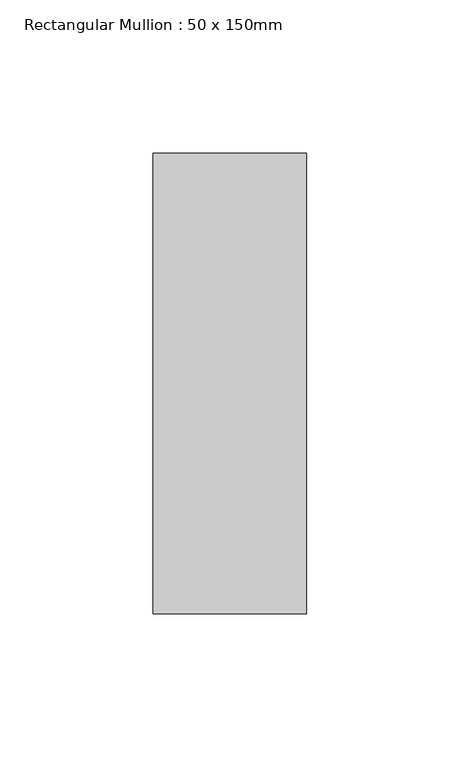
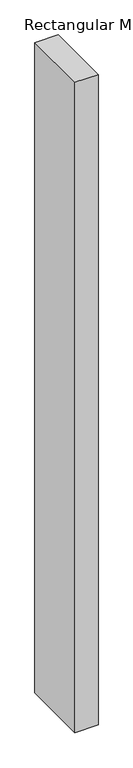
"""IFC4 building model written with IfcOpenShell, lengths in millimetres: member geometry, Rectangular Mullion : 50 x 150mm."""

from ifc_helpers import new_model, si_unit, frame, origin, place, context, project, spatial, polyline, outline, extrude, source, transform, mapped, element, save


def rectangular_mullion_50_x_150mm_da748a30(model_context):
    return source(origin(), model_context, "Body", "SweptSolid", [
        extrude(outline(polyline([(0.0, 75.0), (0.0, -75.0), (-50.0, -75.0), (-50.0, 75.0), (0.0, 75.0)])), frame((0.0, 0.0, -1489.02512), z_axis=(0.0, 0.0, 1.0), x_axis=(1.0, 0.0, 0.0)), (0.0, 0.0, 1.0), 1489.02512),
    ])


if __name__ == "__main__":
    model = new_model("IFC4")
    model_context = context("Model", 3, world=origin())
    ifc_project = project(units=[si_unit("LENGTHUNIT", "METRE", prefix="MILLI")], contexts=[model_context])
    site = spatial("IfcSite", under=ifc_project)
    building = spatial("IfcBuilding", under=site)
    placement = place(None, origin())
    rectangular_mullion_50_x_150mm_shape = rectangular_mullion_50_x_150mm_da748a30(model_context)
    element("IfcMember", 1, ObjectType="Rectangular Mullion : 50 x 150mm", at=placement, inside=building, context=model_context, shape_type="MappedRepresentation", body=[
        mapped(rectangular_mullion_50_x_150mm_shape, transform((0.0, 0.0, 0.0), x_axis=(1.0, 0.0, 0.0), y_axis=(0.0, 1.0, 0.0), z_axis=(0.0, 0.0, 1.0))),
    ])
    save(model, "model.ifc")
